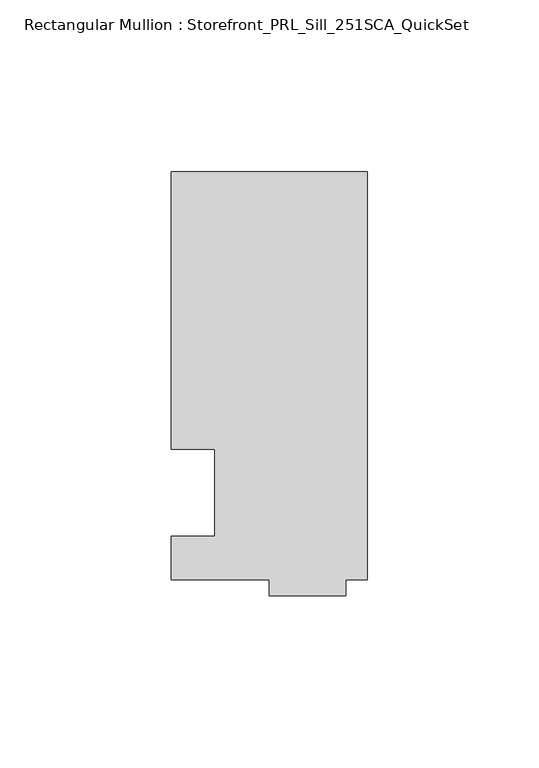
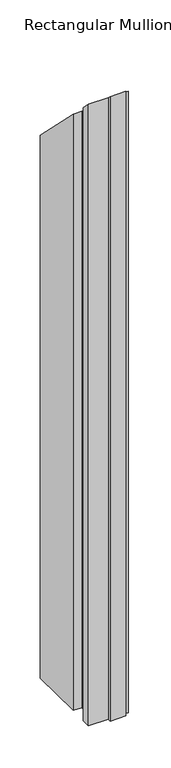
"""IFC4 building model written with IfcOpenShell, lengths in millimetres: member geometry, Rectangular Mullion : Storefront_PRL_Sill_251SCA_QuickSet."""

from ifc_helpers import new_model, si_unit, origin, place, context, project, spatial, faceted_brep, source, transform, mapped, element, save


def rectangular_mullion_storefront_prl_sill_251sca_quickset_2d737e6e(model_context):
    return source(origin(), model_context, "Body", "Brep", [
        faceted_brep([(-44.45, 12.7, -914.4), (-57.15, 12.7, -914.4), (-57.15, 93.6625, -914.4), (-6.35, 93.6625, -914.4), (0.0, 93.6625, -914.4), (0.0, -25.4, -914.4), (-6.35, -25.4, -914.4), (-6.35, -30.1625, -914.4), (-28.575, -30.1625, -914.4), (-28.575, -25.4, -914.4), (-57.15, -25.4, -914.4), (-57.15, -12.7, -914.4), (-44.45, -12.7, -914.4), (-44.45, -12.7, 12.7), (-44.45, 12.7, -12.7), (-57.15, -12.7, 12.7), (-57.15, -25.4, 25.4), (-28.575, -25.4, 25.4), (-28.575, -30.1625, 30.1625), (-6.35, -30.1625, 30.1625), (-6.35, -25.4, 25.4), (0.0, -25.4, 25.4), (0.0, 93.6625, -93.6625), (-6.35, 93.6625, -93.6625), (-57.15, 93.6625, -93.6625), (-57.15, 12.7, -12.7)], [[[0, 1, 2, 3, 4, 5, 6, 7, 8, 9, 10, 11, 12]], [[13, 14, 0, 12]], [[15, 13, 12, 11]], [[16, 15, 11, 10]], [[17, 16, 10, 9]], [[18, 17, 9, 8]], [[19, 18, 8, 7]], [[20, 19, 7, 6]], [[21, 20, 6, 5]], [[22, 21, 5, 4]], [[23, 22, 4, 3]], [[24, 23, 3, 2]], [[25, 24, 2, 1]], [[14, 25, 1, 0]], [[14, 13, 15, 16, 17, 18, 19, 20, 21, 22, 23, 24, 25]]]),
    ])


if __name__ == "__main__":
    model = new_model("IFC4")
    model_context = context("Model", 3, world=origin())
    ifc_project = project(units=[si_unit("LENGTHUNIT", "METRE", prefix="MILLI")], contexts=[model_context])
    site = spatial("IfcSite", under=ifc_project)
    building = spatial("IfcBuilding", under=site)
    placement = place(None, origin())
    rectangular_mullion_storefront_prl_sill_251sca_quickset_shape = rectangular_mullion_storefront_prl_sill_251sca_quickset_2d737e6e(model_context)
    element("IfcMember", 1, ObjectType="Rectangular Mullion : Storefront_PRL_Sill_251SCA_QuickSet", at=placement, inside=building, context=model_context, shape_type="MappedRepresentation", body=[
        mapped(rectangular_mullion_storefront_prl_sill_251sca_quickset_shape, transform((0.0, 0.0, 0.0), x_axis=(1.0, 0.0, 0.0), y_axis=(0.0, 1.0, 0.0), z_axis=(0.0, 0.0, 1.0))),
    ])
    save(model, "model.ifc")
